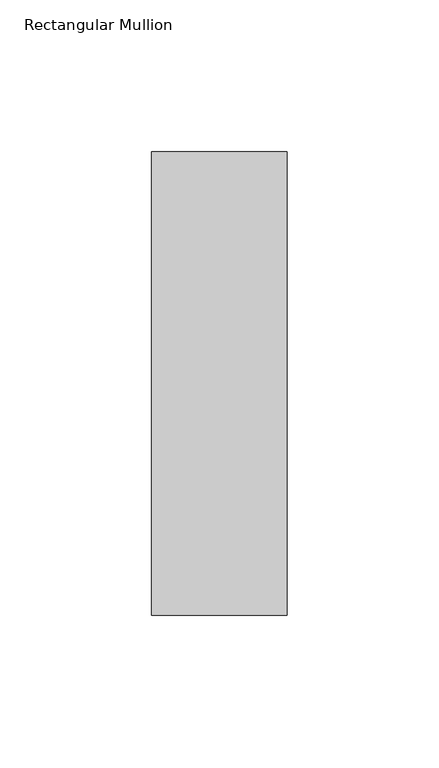
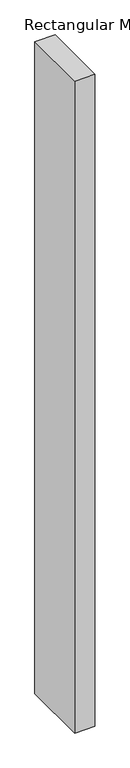
"""IFC4 building model written with IfcOpenShell, lengths in millimetres: member geometry, Rectangular Mullion."""

from ifc_helpers import new_model, si_unit, frame, origin, place, context, project, spatial, polyline, outline, extrude, source, transform, mapped, element, save


def rectangular_mullion_3117671c(model_context):
    return source(origin(), model_context, "Body", "SweptSolid", [
        extrude(outline(polyline([(0.0, 76.1906616), (0.0, -76.1906616), (-44.45, -76.1906616), (-44.45, 76.1906616), (0.0, 76.1906616)])), frame((0.0, 0.0, -1524.0), z_axis=(0.0, 0.0, 1.0), x_axis=(1.0, 0.0, 0.0)), (0.0, 0.0, 1.0), 1524.0),
    ])


if __name__ == "__main__":
    model = new_model("IFC4")
    model_context = context("Model", 3, world=origin())
    ifc_project = project(units=[si_unit("LENGTHUNIT", "METRE", prefix="MILLI")], contexts=[model_context])
    site = spatial("IfcSite", under=ifc_project)
    building = spatial("IfcBuilding", under=site)
    placement = place(None, origin())
    rectangular_mullion_shape = rectangular_mullion_3117671c(model_context)
    element("IfcMember", 1, ObjectType="Rectangular Mullion", at=placement, inside=building, context=model_context, shape_type="MappedRepresentation", body=[
        mapped(rectangular_mullion_shape, transform((0.0, 0.0, 0.0), x_axis=(1.0, 0.0, 0.0), y_axis=(0.0, 1.0, 0.0), z_axis=(0.0, 0.0, 1.0))),
    ])
    save(model, "model.ifc")
